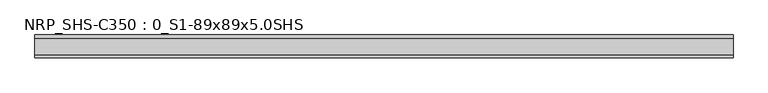
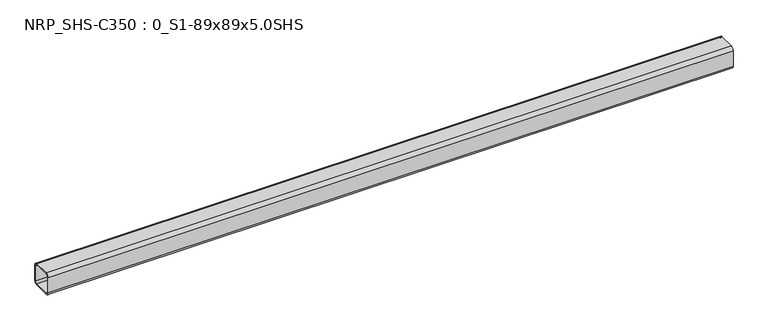
"""IFC4 building model written with IfcOpenShell, lengths in millimetres: beam geometry, NRP_SHS-C350 : 0_S1-89x89x5.0SHS."""

from ifc_helpers import new_model, si_unit, point, frame, frame_2d, origin, place, context, project, spatial, polyline, circle_curve, trimmed, segment, composite_curve, outline, extrude, source, transform, mapped, element, save


def nrp_shs_c350_0_s1_89x89x5_0shs_a23321dd(model_context):
    return source(origin(), model_context, "Body", "SweptSolid", [
        extrude(outline(composite_curve([segment(polyline([(44.5, 32.0), (44.5, -32.0)]), True, "CONTINUOUS"), segment(trimmed(circle_curve(frame_2d((32.0, -32.0)), 12.5), [point((44.5, -32.0))], [point((32.0, -44.5))], False, "CARTESIAN"), True, "CONTINUOUS"), segment(polyline([(32.0, -44.5), (-32.0, -44.5)]), True, "CONTINUOUS"), segment(trimmed(circle_curve(frame_2d((-32.0, -32.0)), 12.5), [point((-32.0, -44.5))], [point((-44.5, -32.0))], False, "CARTESIAN"), True, "CONTINUOUS"), segment(polyline([(-44.5, -32.0), (-44.5, 32.0)]), True, "CONTINUOUS"), segment(trimmed(circle_curve(frame_2d((-32.0, 32.0)), 12.5), [point((-44.5, 32.0))], [point((-32.0, 44.5))], False, "CARTESIAN"), True, "CONTINUOUS"), segment(polyline([(-32.0, 44.5), (32.0, 44.5)]), True, "CONTINUOUS"), segment(trimmed(circle_curve(frame_2d((32.0, 32.0)), 12.5), [point((32.0, 44.5))], [point((44.5, 32.0))], False, "CARTESIAN"), True, "CONTINUOUS")], self_intersect=False), holes=[composite_curve([segment(trimmed(circle_curve(frame_2d((-32.0, 32.0)), 7.5), [point((-32.0, 39.5))], [point((-39.5, 32.0))], True, "CARTESIAN"), True, "CONTINUOUS"), segment(polyline([(-39.5, 32.0), (-39.5, -32.0)]), True, "CONTINUOUS"), segment(trimmed(circle_curve(frame_2d((-32.0, -32.0)), 7.5), [point((-39.5, -32.0))], [point((-32.0, -39.5))], True, "CARTESIAN"), True, "CONTINUOUS"), segment(polyline([(-32.0, -39.5), (32.0, -39.5)]), True, "CONTINUOUS"), segment(trimmed(circle_curve(frame_2d((32.0, -32.0)), 7.5), [point((32.0, -39.5))], [point((39.5, -32.0))], True, "CARTESIAN"), True, "CONTINUOUS"), segment(polyline([(39.5, -32.0), (39.5, 32.0)]), True, "CONTINUOUS"), segment(trimmed(circle_curve(frame_2d((32.0, 32.0)), 7.5), [point((39.5, 32.0))], [point((32.0, 39.5))], True, "CARTESIAN"), True, "CONTINUOUS"), segment(polyline([(32.0, 39.5), (-32.0, 39.5)]), True, "CONTINUOUS")], self_intersect=False)]), frame((-1357.0, 0.0, 0.0), z_axis=(1.0, 0.0, 0.0), x_axis=(0.0, 1.0, 0.0)), (0.0, 0.0, 1.0), 2712.0),
    ])


if __name__ == "__main__":
    model = new_model("IFC4")
    model_context = context("Model", 3, world=origin())
    ifc_project = project(units=[si_unit("LENGTHUNIT", "METRE", prefix="MILLI")], contexts=[model_context])
    site = spatial("IfcSite", under=ifc_project)
    building = spatial("IfcBuilding", under=site)
    placement = place(None, origin())
    nrp_shs_c350_0_s1_89x89x5_0shs_shape = nrp_shs_c350_0_s1_89x89x5_0shs_a23321dd(model_context)
    element("IfcBeam", 1, ObjectType="NRP_SHS-C350 : 0_S1-89x89x5.0SHS", at=placement, inside=building, context=model_context, shape_type="MappedRepresentation", body=[
        mapped(nrp_shs_c350_0_s1_89x89x5_0shs_shape, transform((0.0, 0.0, 0.0), x_axis=(1.0, 0.0, 0.0), y_axis=(0.0, 1.0, 0.0), z_axis=(0.0, 0.0, 1.0))),
    ])
    save(model, "model.ifc")
